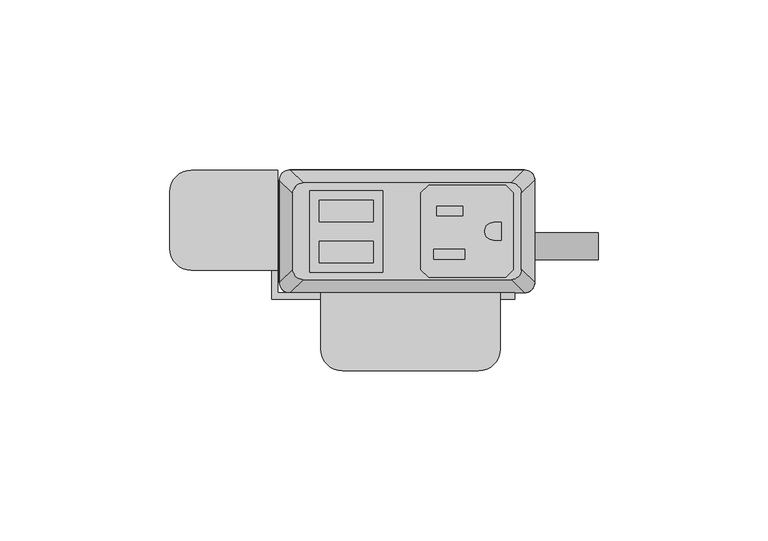
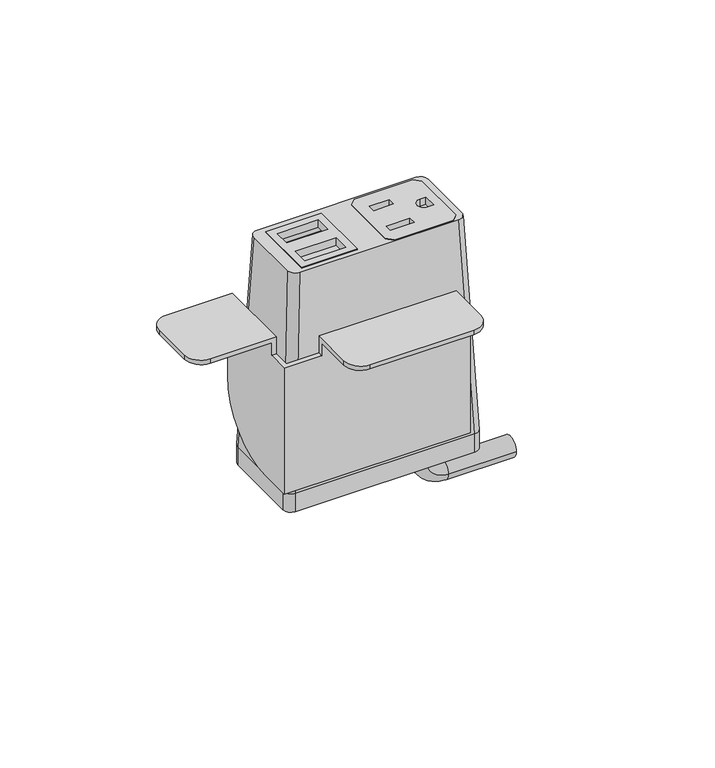
"""IFC4 building model written with IfcOpenShell, lengths in millimetres: furniture geometry."""

from ifc_helpers import new_model, si_unit, point, frame, frame_2d, origin, place, context, project, spatial, polyline, circle_curve, ellipse_curve, trimmed, segment, composite_curve, outline, extrude, source, transform, mapped, element, save
from ifc_brep_helpers import plane_surface, cylinder_surface, revolved_surface, extruded_surface, advanced_brep


def furniture_cb680203(model_context):
    return source(origin(), model_context, "Body", "SolidModel", [
        extrude(outline(polyline([(28.9877496, 31.6867491), (31.2737497, 29.400774), (31.2737497, 6.7950272), (28.9877496, 4.5090526), (6.3817502, 4.5090526), (4.0957501, 6.7950272), (4.0957501, 29.400774), (6.3817502, 31.6867491), (28.9877496, 31.6867491)]), holes=[polyline([(16.3893498, 25.5262103), (8.71855, 25.5262103), (8.71855, 22.6814439), (16.3893498, 22.6814439), (16.3893498, 25.5262103)]), polyline([(17.0497496, 12.7755533), (7.8041498, 12.7755533), (7.8041498, 9.9307858), (17.0497496, 9.9307858), (17.0497496, 12.7755533)]), composite_curve([segment(polyline([(27.7177508, 20.7140722), (25.4427305, 20.7140722)]), True, "CONTINUOUS"), segment(trimmed(circle_curve(frame_2d((25.4427305, 18.0979012)), 2.616171), [point((25.4427305, 20.7140722))], [point((25.4427305, 15.4817301))], True, "CARTESIAN"), True, "CONTINUOUS"), segment(polyline([(25.4427305, 15.4817301), (27.7177508, 15.4817301), (27.7177508, 20.7140722)]), True, "CONTINUOUS")], self_intersect=False)]), frame((0.0, 0.0, 718.4347365), z_axis=(0.0, 0.0, 1.0), x_axis=(1.0, 0.0, 0.0)), (0.0, 0.0, 1.0), 2.9555086),
        extrude(outline(polyline([(-28.6985163, 30.0736276), (-7.143469, 30.0736276), (-7.143469, 6.0162042), (-28.6985163, 6.0162042), (-28.6985163, 30.0736276)]), holes=[polyline([(-9.9834931, 27.2024139), (-25.8584916, 27.2025547), (-25.8584916, 20.8524858), (-9.9834931, 20.8524858), (-9.9834931, 27.2024139)]), polyline([(-9.9834931, 15.1725012), (-25.8584916, 15.1726408), (-25.8584916, 8.8225725), (-9.9834931, 8.8225725), (-9.9834931, 15.1725012)])]), frame((0.0, 0.0, 718.4347365), z_axis=(0.0, 0.0, 1.0), x_axis=(1.0, 0.0, 0.0)), (0.0, 0.0, 1.0), 2.9555086),
        advanced_brep(
        [(-30.6070003, 32.3219007, 721.3770623), (-33.6549997, 29.2739013, 721.3770623), (-33.6549997, 6.9219002, 721.3770623), (-30.6070003, 3.8739008, 721.3770623), (30.6070003, 3.8739008, 721.3770623), (33.6549997, 6.9219002, 721.3770623), (33.6549997, 29.2739013, 721.3770623), (30.6070003, 32.3219007, 721.3770623), (-7.143469, 30.0736276, 721.3770623), (-7.143469, 6.0162042, 721.3770623), (-28.6985163, 6.0162042, 721.3770623), (-28.6985163, 30.0736276, 721.3770623), (4.0957501, 29.400774, 721.3770623), (6.3817502, 31.6867491, 721.3770623), (28.9877496, 31.6867491, 721.3770623), (31.2737497, 29.400774, 721.3770623), (31.2737497, 6.7950272, 721.3770623), (28.9877496, 4.5090526, 721.3770623), (6.3817502, 4.5090526, 721.3770623), (4.0957501, 6.7950272, 721.3770623), (-34.5440011, 36.1954015, 635.0302434), (34.5440011, 36.1954015, 635.0302434), (37.5920005, 33.1474021, 635.0302434), (37.5920005, 3.0484002, 635.0302434), (34.5440011, 0.0004009, 635.0302434), (-34.5440011, 0.0004009, 635.0302434), (-37.5920005, 3.0484002, 635.0302434), (-37.5920005, 33.1474021, 635.0302434), (-7.143469, 30.0736276, 714.2351211), (-28.6985163, 30.0736276, 714.2351211), (-28.6985163, 6.0162042, 714.2351211), (-7.143469, 6.0162042, 714.2351211), (4.0957501, 29.400774, 714.2351211), (4.0957501, 6.7950272, 714.2351211), (6.3817502, 4.5090526, 714.2351211), (28.9877496, 4.5090526, 714.2351211), (31.2737497, 6.7950272, 714.2351211), (31.2737497, 29.400774, 714.2351211), (28.9877496, 31.6867491, 714.2351211), (6.3817502, 31.6867491, 714.2351211)],
        [
            (0, 1, circle_curve(frame((-30.6070003, 29.2739013, 721.3770623), z_axis=(0.0, 0.0, 1.0), x_axis=(-1.0, 0.0, 0.0)), 3.0479994)),
            (1, 2),
            (2, 3, circle_curve(frame((-30.6070003, 6.9219002, 721.3770623), z_axis=(0.0, 0.0, 1.0), x_axis=(-1.0, 0.0, 0.0)), 3.0479994)),
            (3, 4),
            (4, 5, circle_curve(frame((30.6070003, 6.9219002, 721.3770623), z_axis=(0.0, 0.0, 1.0), x_axis=(-1.0, 0.0, 0.0)), 3.0479994)),
            (5, 6),
            (6, 7, circle_curve(frame((30.6070003, 29.2739013, 721.3770623), z_axis=(0.0, 0.0, 1.0), x_axis=(-1.0, 0.0, 0.0)), 3.0479994)),
            (7, 0),
            (8, 9),
            (9, 10),
            (10, 11),
            (11, 8),
            (12, 13),
            (13, 14),
            (14, 15),
            (15, 16),
            (16, 17),
            (17, 18),
            (18, 19),
            (19, 12),
            (20, 21),
            (21, 22, circle_curve(frame((34.5440011, 33.1474021, 635.0302434), z_axis=(0.0, 0.0, -1.0), x_axis=(-1.0, 0.0, 0.0)), 3.0479994)),
            (22, 23),
            (23, 24, circle_curve(frame((34.5440011, 3.0484002, 635.0302434), z_axis=(0.0, 0.0, -1.0), x_axis=(-1.0, 0.0, 0.0)), 3.0479994)),
            (24, 25),
            (25, 26, circle_curve(frame((-34.5440011, 3.0484002, 635.0302434), z_axis=(0.0, 0.0, -1.0), x_axis=(-1.0, 0.0, 0.0)), 3.0479994)),
            (26, 27),
            (27, 20, circle_curve(frame((-34.5440011, 33.1474021, 635.0302434), z_axis=(0.0, 0.0, -1.0), x_axis=(-1.0, 0.0, 0.0)), 3.0479994)),
            (0, 20),
            (27, 1),
            (26, 2),
            (25, 3),
            (24, 4),
            (23, 5),
            (22, 6),
            (21, 7),
            (28, 29),
            (29, 30),
            (30, 31),
            (31, 28),
            (32, 33),
            (33, 34),
            (34, 35),
            (35, 36),
            (36, 37),
            (37, 38),
            (38, 39),
            (39, 32),
            (31, 9),
            (8, 28),
            (30, 10),
            (29, 11),
            (39, 13),
            (12, 32),
            (38, 14),
            (37, 15),
            (36, 16),
            (35, 17),
            (34, 18),
            (33, 19),
        ],
        [
            plane_surface(frame((0.0, 18.0979007, 721.3770623), z_axis=(0.0, 0.0, 1.0), x_axis=(-1.0, 0.0, 0.0))),
            plane_surface(frame((0.0, 18.0979012, 635.0302434), z_axis=(0.0, 0.0, -1.0), x_axis=(-1.0, 0.0, 0.0))),
            extruded_surface(trimmed(circle_curve(frame((-34.5440011, 33.1474021, 635.0302434), z_axis=(0.0, 0.0, 1.0), x_axis=(-1.0, 0.0, 0.0)), 3.0479994), [point((-34.5440011, 36.1954015, 635.0302434))], [point((-37.5920005, 33.1474021, 635.0302434))], True, "CARTESIAN"), (3.9370008000000034, -3.873500800000002, 86.34681890000002), 86.52327500676452),
            plane_surface(frame((-37.5920005, 18.0979012, 635.0302434), z_axis=(-0.9989621566211194, 0.0, 0.04554788292425982), x_axis=(0.0, -1.0, 0.0))),
            extruded_surface(trimmed(circle_curve(frame((-34.5440011, 3.0484002, 635.0302434), z_axis=(0.0, 0.0, 1.0), x_axis=(-1.0, 0.0, 0.0)), 3.0479994), [point((-37.5920005, 3.0484002, 635.0302434))], [point((-34.5440011, 0.0004009, 635.0302434))], True, "CARTESIAN"), (3.9370008000000034, 3.8734999999999995, 86.34681890000002), 86.52327497094987),
            plane_surface(frame((0.0, 0.0004009, 635.0302434), z_axis=(0.0, -0.9989953158490498, 0.044814717578687276), x_axis=(1.0, 0.0, 0.0))),
            extruded_surface(trimmed(circle_curve(frame((34.5440011, 3.0484002, 635.0302434), z_axis=(0.0, 0.0, 1.0), x_axis=(-1.0, 0.0, 0.0)), 3.0479994), [point((34.5440011, 0.0004009, 635.0302434))], [point((37.5920005, 3.0484002, 635.0302434))], True, "CARTESIAN"), (-3.9370008000000034, 3.8734999999999995, 86.34681890000002), 86.52327497094987),
            plane_surface(frame((37.5920005, 18.0979012, 635.0302434), z_axis=(0.9989621566211194, 0.0, 0.04554788292425977), x_axis=(0.0, 1.0, 0.0))),
            extruded_surface(trimmed(circle_curve(frame((34.5440011, 33.1474021, 635.0302434), z_axis=(0.0, 0.0, 1.0), x_axis=(-1.0, 0.0, 0.0)), 3.0479994), [point((37.5920005, 33.1474021, 635.0302434))], [point((34.5440011, 36.1954015, 635.0302434))], True, "CARTESIAN"), (-3.9370008000000034, -3.873500800000002, 86.34681890000002), 86.52327500676452),
            plane_surface(frame((0.0, 36.1954015, 635.0302434), z_axis=(0.0, 0.9989953153818162, 0.04481472799410512), x_axis=(-1.0, 0.0, 0.0))),
            plane_surface(frame((-7.143469, 30.0736276, 714.2351211), z_axis=(0.0, 0.0, 1.0), x_axis=(0.0, -1.0, 0.0))),
            plane_surface(frame((-7.143469, 30.0736276, 714.2351211), z_axis=(-1.0, 0.0, 0.0), x_axis=(0.0, 0.0, 1.0))),
            plane_surface(frame((-7.143469, 6.0162042, 714.2351211), z_axis=(0.0, 1.0, 0.0), x_axis=(0.0, 0.0, 1.0))),
            plane_surface(frame((-28.6985163, 6.0162042, 714.2351211), z_axis=(1.0, 0.0, 0.0), x_axis=(0.0, 0.0, 1.0))),
            plane_surface(frame((-28.6985163, 30.0736276, 714.2351211), z_axis=(0.0, -1.0, 0.0), x_axis=(0.0, 0.0, 1.0))),
            plane_surface(frame((4.0957501, 29.400774, 714.2351211), z_axis=(0.7071029176939239, -0.707110644658062, 0.0), x_axis=(0.0, 0.0, 1.0))),
            plane_surface(frame((6.3817502, 31.6867491, 714.2351211), z_axis=(0.0, -1.0, 0.0), x_axis=(0.0, 0.0, 1.0))),
            plane_surface(frame((28.9877496, 31.6867491, 714.2351211), z_axis=(-0.7071029176939239, -0.707110644658062, 0.0), x_axis=(0.0, 0.0, 1.0))),
            plane_surface(frame((31.2737497, 29.400774, 714.2351211), z_axis=(-1.0, 0.0, 0.0), x_axis=(0.0, 0.0, 1.0))),
            plane_surface(frame((31.2737497, 6.7950272, 714.2351211), z_axis=(-0.7071028298865373, 0.7071107324644781, 0.0), x_axis=(0.0, 0.0, 1.0))),
            plane_surface(frame((28.9877496, 4.5090526, 714.2351211), z_axis=(0.0, 1.0, 0.0), x_axis=(0.0, 0.0, 1.0))),
            plane_surface(frame((6.3817502, 4.5090526, 714.2351211), z_axis=(0.7071028298865373, 0.7071107324644781, 0.0), x_axis=(0.0, 0.0, 1.0))),
            plane_surface(frame((4.0957501, 6.7950272, 714.2351211), z_axis=(1.0, 0.0, 0.0), x_axis=(0.0, 0.0, 1.0))),
        ],
        [
            (0, [[1, 2, 3, 4, 5, 6, 7, 8], [9, 10, 11, 12], [13, 14, 15, 16, 17, 18, 19, 20]]),
            (1, [[21, 22, 23, 24, 25, 26, 27, 28]]),
            (2, [[-1, 29, -28, 30]]),
            (3, [[-2, -30, -27, 31]]),
            (4, [[-3, -31, -26, 32]]),
            (5, [[-4, -32, -25, 33]]),
            (6, [[-5, -33, -24, 34]]),
            (7, [[-6, -34, -23, 35]]),
            (8, [[-7, -35, -22, 36]]),
            (9, [[-8, -36, -21, -29]]),
            (10, [[37, 38, 39, 40]]),
            (10, [[41, 42, 43, 44, 45, 46, 47, 48]]),
            (11, [[-40, 49, -9, 50]]),
            (12, [[-39, 51, -10, -49]]),
            (13, [[-38, 52, -11, -51]]),
            (14, [[-37, -50, -12, -52]]),
            (15, [[-48, 53, -13, 54]]),
            (16, [[-47, 55, -14, -53]]),
            (17, [[-46, 56, -15, -55]]),
            (18, [[-45, 57, -16, -56]]),
            (19, [[-44, 58, -17, -57]]),
            (20, [[-43, 59, -18, -58]]),
            (21, [[-42, 60, -19, -59]]),
            (22, [[-41, -54, -20, -60]]),
        ],
    ),
        advanced_brep(
        [(21.5715504, 17.7128311, 627.5560348), (21.5715504, 9.7137856, 627.5560348), (21.5715504, 17.7128311, 622.7262821), (21.5715504, 9.7137856, 622.7262821), (30.0384415, 9.7137856, 614.259391), (30.0384415, 17.7128311, 614.259391), (56.2588798, 17.7128311, 614.259391), (56.2588798, 9.7137856, 614.259391)],
        [
            (0, 1, circle_curve(frame((21.5715504, 13.7133083, 627.5560348), z_axis=(0.0, 0.0, 1.0), x_axis=(0.0, -1.0, 0.0)), 3.9995228)),
            (1, 0, circle_curve(frame((21.5715504, 13.7133083, 627.5560348), z_axis=(0.0, 0.0, 1.0), x_axis=(0.0, -1.0, 0.0)), 3.9995228)),
            (0, 2),
            (2, 3, circle_curve(frame((21.5715504, 13.7133083, 622.7262821), z_axis=(0.0, 0.0, 1.0), x_axis=(0.0, -1.0, 0.0)), 3.9995228)),
            (3, 1),
            (3, 2, circle_curve(frame((21.5715504, 13.7133083, 622.7262821), z_axis=(0.0, 0.0, 1.0), x_axis=(0.0, -1.0, 0.0)), 3.9995228)),
            (4, 3, circle_curve(frame((30.0384415, 9.7137856, 622.7262821), z_axis=(0.0, 1.0, 0.0), x_axis=(-1.0, 0.0, 0.0)), 8.4668911)),
            (2, 5, circle_curve(frame((30.0384415, 17.7128311, 622.7262821), z_axis=(0.0, -1.0, 0.0), x_axis=(-1.0, 0.0, 0.0)), 8.4668911)),
            (5, 4, circle_curve(frame((30.0384415, 13.7133083, 614.259391), z_axis=(-1.0, 0.0, 0.0), x_axis=(0.0, -1.0, 0.0)), 3.9995228)),
            (4, 5, circle_curve(frame((30.0384415, 13.7133083, 614.259391), z_axis=(-1.0, 0.0, 0.0), x_axis=(0.0, -1.0, 0.0)), 3.9995228)),
            (6, 7, circle_curve(frame((56.2588798, 13.7133083, 614.259391), z_axis=(1.0, 0.0, 0.0), x_axis=(0.0, -1.0, 0.0)), 3.9995228)),
            (7, 6, circle_curve(frame((56.2588798, 13.7133083, 614.259391), z_axis=(1.0, 0.0, 0.0), x_axis=(0.0, -1.0, 0.0)), 3.9995228)),
            (5, 6),
            (7, 4),
        ],
        [
            plane_surface(frame((21.5715504, 0.0, 627.5560348), z_axis=(0.0, 0.0, 1.0), x_axis=(0.0, -1.0, 0.0))),
            cylinder_surface(frame((21.5715504, 13.7133083, 627.5560348), z_axis=(0.0, 0.0, 1.0), x_axis=(0.0, -1.0, 0.0)), 3.9995228),
            revolved_surface(trimmed(ellipse_curve(frame((21.5715504, 13.7133083, 622.7262821), z_axis=(0.0, 0.0, 1.0), x_axis=(0.0, -1.0, 0.0)), 3.9995228, 3.9995228), [point((21.5715504, 17.7128311, 622.7262821))], [point((21.5715504, 9.7137856, 622.7262821))], True, "CARTESIAN"), (30.0384415, 0.0, 622.7262821), (0.0, -1.0, 0.0)),
            revolved_surface(trimmed(ellipse_curve(frame((21.5715504, 13.7133083, 622.7262821), z_axis=(0.0, 0.0, 1.0), x_axis=(0.0, -1.0, 0.0)), 3.9995228, 3.9995228), [point((21.5715504, 9.7137856, 622.7262821))], [point((21.5715504, 17.7128311, 622.7262821))], True, "CARTESIAN"), (30.0384415, 0.0, 622.7262821), (0.0, -1.0, 0.0)),
            plane_surface(frame((56.2588798, 0.0, 614.259391), z_axis=(1.0, 0.0, 0.0), x_axis=(0.0, -1.0, 0.0))),
            cylinder_surface(frame((30.0384415, 13.7133083, 614.259391), z_axis=(-1.0, 0.0, 0.0), x_axis=(0.0, -1.0, 0.0)), 3.9995228),
        ],
        [
            (0, [[1, 2]]),
            (1, [[-1, 3, 4, 5]]),
            (1, [[-2, -5, 6, -3]]),
            (2, [[7, -4, 8, 9]]),
            (3, [[-8, -6, -7, 10]]),
            (4, [[11, 12]]),
            (5, [[-9, 13, -12, 14]]),
            (5, [[-10, -14, -11, -13]]),
        ],
    ),
        extrude(outline(composite_curve([segment(trimmed(circle_curve(frame_2d((34.5440011, 33.1474021)), 3.0479994), [point((34.5440011, 36.1954015))], [point((37.5920005, 33.1474021))], False, "CARTESIAN"), True, "CONTINUOUS"), segment(polyline([(37.5920005, 33.1474021), (37.5920005, 3.0484002)]), True, "CONTINUOUS"), segment(trimmed(circle_curve(frame_2d((34.5440011, 3.0484002)), 3.0479994), [point((37.5920005, 3.0484002))], [point((34.5440011, 0.0004009))], False, "CARTESIAN"), True, "CONTINUOUS"), segment(polyline([(34.5440011, 0.0004009), (-34.5440011, 0.0004009)]), True, "CONTINUOUS"), segment(trimmed(circle_curve(frame_2d((-34.5440011, 3.0484002)), 3.0479994), [point((-34.5440011, 0.0004009))], [point((-37.5920005, 3.0484002))], False, "CARTESIAN"), True, "CONTINUOUS"), segment(polyline([(-37.5920005, 3.0484002), (-37.5920005, 33.1474021)]), True, "CONTINUOUS"), segment(trimmed(circle_curve(frame_2d((-34.5440011, 33.1474021)), 3.0479994), [point((-37.5920005, 33.1474021))], [point((-34.5440011, 36.1954015))], False, "CARTESIAN"), True, "CONTINUOUS"), segment(polyline([(-34.5440011, 36.1954015), (34.5440011, 36.1954015)]), True, "CONTINUOUS")], self_intersect=False)), frame((0.0, 0.0, 627.5560348), z_axis=(0.0, 0.0, 1.0), x_axis=(1.0, 0.0, 0.0)), (0.0, 0.0, 1.0), 7.4742086),
        advanced_brep(
        [(-63.4998651, 6.6265515, 694.182), (-69.8498653, 12.9765517, 694.182), (-69.8498653, 29.7151512, 694.182), (-63.4998645, 36.0651519, 694.182), (-39.877862, 36.0651519, 694.182), (-39.877862, 6.6265515, 694.182), (27.4321373, -16.6144474, 694.182), (21.0821366, -22.9644481, 694.182), (-19.0498626, -22.9644481, 694.182), (-25.3998622, -16.6144485, 694.182), (-25.3998622, -1.9078486, 694.182), (27.4321373, -1.9078486, 694.182), (-63.4998645, 36.0651519, 695.96), (-69.8498653, 29.7151512, 695.96), (-69.8498653, 12.9765517, 695.96), (-63.4998651, 6.6265515, 695.96), (-38.0998637, 6.6265515, 695.96), (-38.0998637, 36.0651519, 695.96), (-25.3998622, 0.0, 695.96), (-25.3998622, -16.6144485, 695.96), (-19.0498626, -22.9644481, 695.96), (21.0821366, -22.9644481, 695.96), (27.4321373, -16.6144474, 695.96), (27.4321373, 0.0, 695.96), (-38.0998637, 36.0651519, 662.9399997), (-39.877862, 36.0651519, 662.9399997), (-39.877862, 6.6265515, 689.1019997), (-38.0998637, 6.6265515, 689.1019997), (-38.0998637, 0.0, 689.1019997), (-38.0998637, 0.0, 637.5400012), (-38.0998637, 10.6651534, 637.5400012), (27.4321373, -1.9078486, 689.1019997), (27.4321373, 0.0, 689.1019997), (31.7501378, 0.0, 689.1019997), (31.7501378, 0.0, 637.5400012), (-25.3998622, 0.0, 689.1019997), (-25.3998622, -1.9078486, 689.1019997), (-39.877862, 10.6651534, 637.5400012), (-39.877862, -1.9078486, 637.5400012), (-39.877862, -1.9078486, 689.1019997), (31.7501378, -1.9078486, 637.5400012), (31.7501378, -1.9078486, 689.1019997)],
        [
            (0, 1, circle_curve(frame((-63.4998651, 12.9765517, 694.182), z_axis=(0.0, 0.0, -1.0), x_axis=(-1.0, 0.0, 0.0)), 6.3500002)),
            (1, 2),
            (2, 3, circle_curve(frame((-63.4998645, 29.7151512, 694.182), z_axis=(0.0, 0.0, -1.0), x_axis=(-1.0, 0.0, 0.0)), 6.3500008)),
            (3, 4),
            (4, 5),
            (5, 0),
            (6, 7, circle_curve(frame((21.0821366, -16.6144474, 694.182), z_axis=(0.0, 0.0, -1.0), x_axis=(-1.0, 0.0, 0.0)), 6.3500008)),
            (7, 8),
            (8, 9, circle_curve(frame((-19.0498626, -16.6144485, 694.182), z_axis=(0.0, 0.0, -1.0), x_axis=(-1.0, 0.0, 0.0)), 6.3499996)),
            (9, 10),
            (10, 11),
            (11, 6),
            (12, 13, circle_curve(frame((-63.4998645, 29.7151512, 695.96), z_axis=(0.0, 0.0, 1.0), x_axis=(-1.0, 0.0, 0.0)), 6.3500008)),
            (13, 14),
            (14, 15, circle_curve(frame((-63.4998651, 12.9765517, 695.96), z_axis=(0.0, 0.0, 1.0), x_axis=(-1.0, 0.0, 0.0)), 6.3500002)),
            (15, 16),
            (16, 17),
            (17, 12),
            (18, 19),
            (19, 20, circle_curve(frame((-19.0498626, -16.6144485, 695.96), z_axis=(0.0, 0.0, 1.0), x_axis=(-1.0, 0.0, 0.0)), 6.3499996)),
            (20, 21),
            (21, 22, circle_curve(frame((21.0821366, -16.6144474, 695.96), z_axis=(0.0, 0.0, 1.0), x_axis=(-1.0, 0.0, 0.0)), 6.3500008)),
            (22, 23),
            (23, 18),
            (3, 12),
            (17, 24),
            (24, 25),
            (25, 4),
            (2, 13),
            (1, 14),
            (0, 15),
            (5, 26),
            (26, 27),
            (27, 16),
            (27, 28),
            (28, 29),
            (29, 30),
            (30, 24, circle_curve(frame((-38.0998637, 10.6651534, 662.9399997), z_axis=(1.0, 0.0, 0.0), x_axis=(0.0, -1.0, 0.0)), 25.3999985)),
            (8, 20),
            (19, 9),
            (7, 21),
            (6, 22),
            (11, 31),
            (31, 32),
            (32, 23),
            (32, 33),
            (33, 34),
            (34, 29),
            (28, 35),
            (35, 18),
            (35, 36),
            (36, 10),
            (25, 37, circle_curve(frame((-39.877862, 10.6651534, 662.9399997), z_axis=(-1.0, 0.0, 0.0), x_axis=(0.0, -1.0, 0.0)), 25.3999985)),
            (37, 38),
            (38, 39),
            (39, 26),
            (30, 37),
            (34, 40),
            (40, 38),
            (40, 41),
            (41, 31),
            (36, 39),
            (41, 33),
        ],
        [
            plane_surface(frame((-63.4998645, 36.0651519, 694.182), z_axis=(0.0, 0.0, -1.0), x_axis=(1.0, 0.0, 0.0))),
            plane_surface(frame((-63.4998645, 36.0651519, 695.96), z_axis=(0.0, 0.0, 1.0), x_axis=(-1.0, 0.0, 0.0))),
            plane_surface(frame((-38.0998637, 36.0651519, 695.96), z_axis=(0.0, 1.0, 0.0), x_axis=(0.0, 0.0, -1.0))),
            cylinder_surface(frame((-63.4998645, 29.7151512, 694.182), z_axis=(0.0, 0.0, 1.0), x_axis=(-1.0, 0.0, 0.0)), 6.3500008),
            plane_surface(frame((-69.8498653, 29.7151512, 695.96), z_axis=(-1.0, 0.0, 0.0), x_axis=(0.0, 0.0, -1.0))),
            cylinder_surface(frame((-63.4998651, 12.9765517, 694.182), z_axis=(0.0, 0.0, 1.0), x_axis=(-1.0, 0.0, 0.0)), 6.3500002),
            plane_surface(frame((-63.4998651, 6.6265515, 695.96), z_axis=(0.0, -1.0, 0.0), x_axis=(0.0, 0.0, -1.0))),
            plane_surface(frame((-38.0998637, 6.6265515, 695.96), z_axis=(1.0, 0.0, 0.0), x_axis=(0.0, 0.0, -1.0))),
            cylinder_surface(frame((-19.0498626, -16.6144485, 695.96), z_axis=(0.0, 0.0, 1.0), x_axis=(-1.0, 0.0, 0.0)), 6.3499996),
            plane_surface(frame((-19.0498626, -22.9644481, 695.96), z_axis=(0.0, -1.0, 0.0), x_axis=(0.0, 0.0, -1.0))),
            cylinder_surface(frame((21.0821366, -16.6144474, 695.96), z_axis=(0.0, 0.0, 1.0), x_axis=(-1.0, 0.0, 0.0)), 6.3500008),
            plane_surface(frame((27.4321373, -16.6144474, 695.96), z_axis=(1.0, 0.0, 0.0), x_axis=(0.0, 0.0, -1.0))),
            plane_surface(frame((27.4321373, 0.0, 695.96), z_axis=(0.0, 1.0, 0.0), x_axis=(0.0, 0.0, -1.0))),
            plane_surface(frame((-25.3998622, 0.0, 695.96), z_axis=(-1.0, 0.0, 0.0), x_axis=(0.0, 0.0, -1.0))),
            plane_surface(frame((-39.877862, 36.0651519, 662.9399997), z_axis=(-1.0, 0.0, 0.0), x_axis=(0.0, 0.0, -1.0))),
            cylinder_surface(frame((-38.0998637, 10.6651534, 662.9399997), z_axis=(-1.0, 0.0, 0.0), x_axis=(0.0, -1.0, 0.0)), 25.3999985),
            plane_surface(frame((-39.877862, 10.6651534, 637.5400012), z_axis=(0.0, 0.0, -1.0), x_axis=(1.0, 0.0, 0.0))),
            plane_surface(frame((-39.877862, -1.9078486, 637.5400012), z_axis=(0.0, -1.0, 0.0), x_axis=(1.0, 0.0, 0.0))),
            plane_surface(frame((-39.877862, -1.9078486, 689.1019997), z_axis=(0.0, 0.0, 1.0), x_axis=(1.0, 0.0, 0.0))),
            plane_surface(frame((31.7501378, -1.9078486, 689.1019997), z_axis=(0.0, 0.0, 1.0), x_axis=(0.0, 1.0, 0.0))),
            plane_surface(frame((31.7501378, -1.9078486, 637.5400012), z_axis=(1.0, 0.0, 0.0), x_axis=(0.0, 1.0, 0.0))),
        ],
        [
            (0, [[1, 2, 3, 4, 5, 6]]),
            (0, [[7, 8, 9, 10, 11, 12]]),
            (1, [[13, 14, 15, 16, 17, 18]]),
            (1, [[19, 20, 21, 22, 23, 24]]),
            (2, [[25, -18, 26, 27, 28, -4]]),
            (3, [[-3, 29, -13, -25]]),
            (4, [[-2, 30, -14, -29]]),
            (5, [[-1, 31, -15, -30]]),
            (6, [[-31, -6, 32, 33, 34, -16]]),
            (7, [[-17, -34, 35, 36, 37, 38, -26]]),
            (8, [[-9, 39, -20, 40]]),
            (9, [[-8, 41, -21, -39]]),
            (10, [[-7, 42, -22, -41]]),
            (11, [[-42, -12, 43, 44, 45, -23]]),
            (12, [[-24, -45, 46, 47, 48, -36, 49, 50]]),
            (13, [[-40, -19, -50, 51, 52, -10]]),
            (14, [[53, 54, 55, 56, -32, -5, -28]]),
            (15, [[-53, -27, -38, 57]]),
            (16, [[-57, -37, -48, 58, 59, -54]]),
            (17, [[-55, -59, 60, 61, -43, -11, -52, 62]]),
            (18, [[-62, -51, -49, -35, -33, -56]]),
            (19, [[-61, 63, -46, -44]]),
            (20, [[-60, -58, -47, -63]]),
        ],
    ),
    ])


if __name__ == "__main__":
    model = new_model("IFC4")
    model_context = context("Model", 3, world=origin())
    ifc_project = project(units=[si_unit("LENGTHUNIT", "METRE", prefix="MILLI")], contexts=[model_context])
    site = spatial("IfcSite", under=ifc_project)
    building = spatial("IfcBuilding", under=site)
    placement = place(None, origin())
    furniture_shape = furniture_cb680203(model_context)
    element("IfcFurniture", 1, at=placement, inside=building, context=model_context, shape_type="MappedRepresentation", body=[
        mapped(furniture_shape, transform((0.0, 0.0, 0.0), x_axis=(1.0, 0.0, 0.0), y_axis=(0.0, 1.0, 0.0), z_axis=(0.0, 0.0, 1.0))),
    ])
    save(model, "model.ifc")
